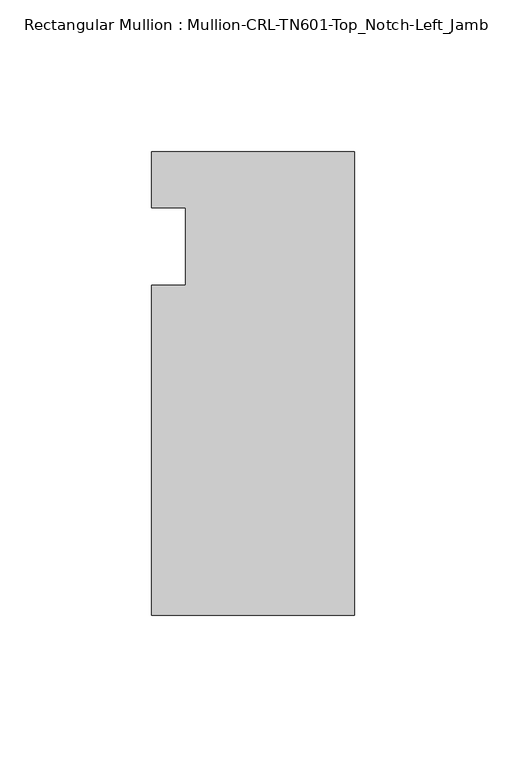
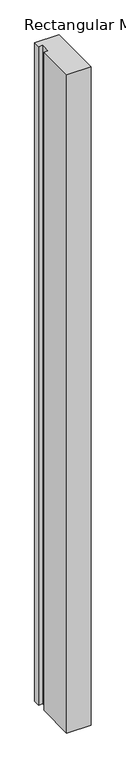
"""IFC4 building model written with IfcOpenShell, lengths in millimetres: member geometry, Rectangular Mullion : Mullion-CRL-TN601-Top_Notch-Left_Jamb."""

from ifc_helpers import new_model, si_unit, frame, origin, place, context, project, spatial, polyline, outline, extrude, source, transform, mapped, element, save


def rectangular_mullion_mullion_crl_tn601_top_notch_left_jamb_745f1b48(model_context):
    return source(origin(), model_context, "Body", "SweptSolid", [
        extrude(outline(polyline([(0.0, 31.1404), (0.0, -121.2596), (-66.675, -121.2596), (-66.675, -12.7), (-55.5549567, -12.7), (-55.5549567, 12.7), (-66.675, 12.7), (-66.675, 31.1404), (0.0, 31.1404)])), frame((0.0, 0.0, -1914.380463), z_axis=(0.0, 0.0, 1.0), x_axis=(1.0, 0.0, 0.0)), (0.0, 0.0, 1.0), 1914.380463),
    ])


if __name__ == "__main__":
    model = new_model("IFC4")
    model_context = context("Model", 3, world=origin())
    ifc_project = project(units=[si_unit("LENGTHUNIT", "METRE", prefix="MILLI")], contexts=[model_context])
    site = spatial("IfcSite", under=ifc_project)
    building = spatial("IfcBuilding", under=site)
    placement = place(None, origin())
    rectangular_mullion_mullion_crl_tn601_top_notch_left_jamb_shape = rectangular_mullion_mullion_crl_tn601_top_notch_left_jamb_745f1b48(model_context)
    element("IfcMember", 1, ObjectType="Rectangular Mullion : Mullion-CRL-TN601-Top_Notch-Left_Jamb", at=placement, inside=building, context=model_context, shape_type="MappedRepresentation", body=[
        mapped(rectangular_mullion_mullion_crl_tn601_top_notch_left_jamb_shape, transform((0.0, 0.0, 0.0), x_axis=(1.0, 0.0, 0.0), y_axis=(0.0, 1.0, 0.0), z_axis=(0.0, 0.0, 1.0))),
    ])
    save(model, "model.ifc")
